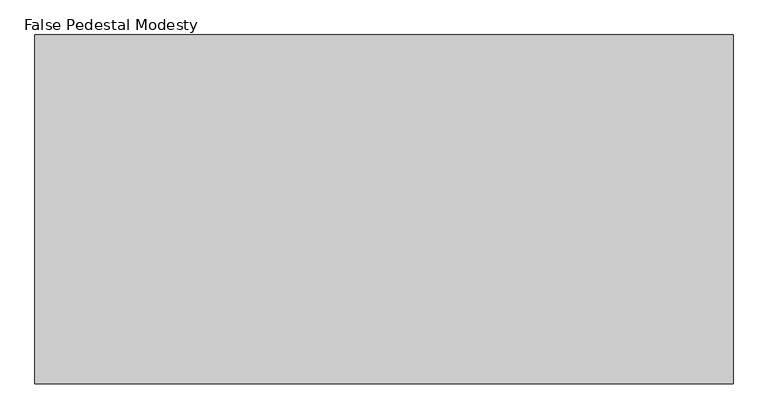
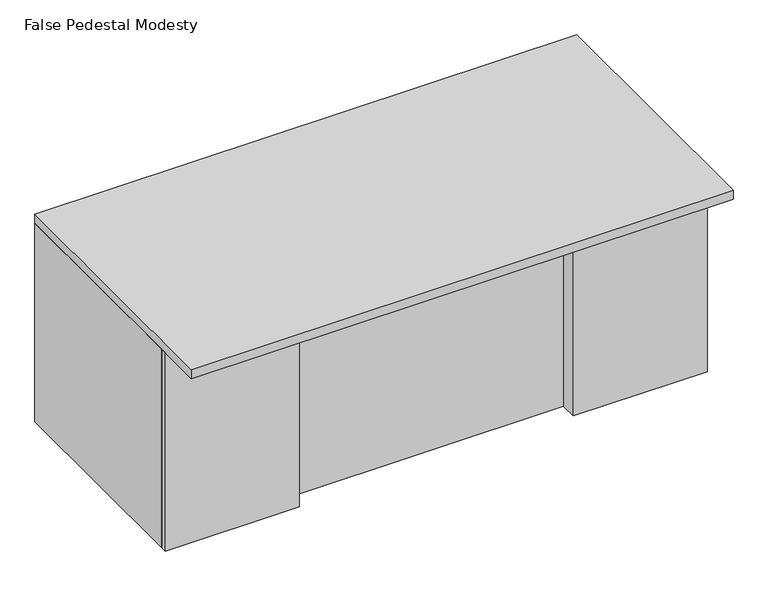
"""IFC4 building model written with IfcOpenShell, lengths in millimetres: furniture geometry, False Pedestal Modesty."""

from ifc_helpers import new_model, si_unit, frame, origin, origin_with_axes, place, context, project, spatial, polyline, outline, extrude, source, transform, mapped, element, save


def false_pedestal_modesty_8e1f2380(model_context):
    return source(origin(), model_context, "Body", "SweptSolid", [
        extrude(outline(polyline([(1146.175, 711.2), (1162.05, 711.2), (1162.05, 688.975), (1162.05, 569.9125), (1146.175, 569.9125), (1146.175, 547.6875), (1143.0, 547.6875), (1143.0, 711.2), (1146.175, 711.2)])), frame((1219.99375, 0.0, 0.0), z_axis=(1.0, 0.0, 0.0), x_axis=(0.0, 1.0, 0.0)), (0.0, 0.0, 1.0), 393.7),
        extrude(outline(polyline([(1146.175, 544.5125), (1162.05, 544.5125), (1162.05, 522.2875), (1162.05, 403.225), (1146.175, 403.225), (1146.175, 381.0), (1143.0, 381.0), (1143.0, 544.5125), (1146.175, 544.5125)])), frame((1219.99375, 0.0, 0.0), z_axis=(1.0, 0.0, 0.0), x_axis=(0.0, 1.0, 0.0)), (0.0, 0.0, 1.0), 393.7),
        extrude(outline(polyline([(1146.175, 377.825), (1146.175, 355.6), (1162.05, 355.6), (1162.05, 69.85), (1162.05, 47.625), (1146.175, 47.625), (1143.0, 47.625), (1143.0, 377.825), (1146.175, 377.825)])), frame((1219.99375, 0.0, 0.0), z_axis=(1.0, 0.0, 0.0), x_axis=(0.0, 1.0, 0.0)), (0.0, 0.0, 1.0), 393.7),
        extrude(outline(polyline([(1239.04375, 425.45), (1239.04375, 1143.0), (1594.64375, 1143.0), (1594.64375, 425.45), (1239.04375, 425.45)])), origin_with_axes(), (0.0, 0.0, 1.0), 19.05),
        extrude(outline(polyline([(1239.04375, 425.45), (1239.04375, 444.5), (1594.64375, 444.5), (1594.64375, 425.45), (1239.04375, 425.45)])), frame((0.0, 0.0, 492.125), z_axis=(0.0, 0.0, 1.0), x_axis=(1.0, 0.0, 0.0)), (0.0, 0.0, 1.0), 219.075),
        extrude(outline(polyline([(1239.04375, 527.05), (1239.04375, 1143.0), (1594.64375, 1143.0), (1594.64375, 527.05), (1239.04375, 527.05)])), frame((0.0, 0.0, 693.7375), z_axis=(0.0, 0.0, 1.0), x_axis=(1.0, 0.0, 0.0)), (0.0, 0.0, 1.0), 19.05),
        extrude(outline(polyline([(1613.69375, 425.45), (1594.64375, 425.45), (1594.64375, 1143.0), (1613.69375, 1143.0), (1613.69375, 425.45)])), origin_with_axes(), (0.0, 0.0, 1.0), 711.2),
        extrude(outline(polyline([(1613.69375, 1143.0), (1219.99375, 1143.0), (1219.99375, 1162.05), (1613.69375, 1162.05), (1613.69375, 1143.0)])), origin_with_axes(), (0.0, 0.0, 1.0), 44.45),
        extrude(outline(polyline([(1239.04375, 425.45), (1219.99375, 425.45), (1219.99375, 1143.0), (1239.04375, 1143.0), (1239.04375, 425.45)])), origin_with_axes(), (0.0, 0.0, 1.0), 711.2),
        extrude(outline(polyline([(275.43125, 406.4), (-176.2125, 406.4), (-176.2125, 425.45), (256.38125, 425.45), (256.38125, 482.6), (1219.99375, 482.6), (1219.99375, 425.45), (1652.5875, 425.45), (1652.5875, 406.4), (1200.94375, 406.4), (1200.94375, 463.55), (275.43125, 463.55), (275.43125, 406.4)])), origin_with_axes(), (0.0, 0.0, 1.0), 708.025),
        extrude(outline(polyline([(1652.5875, 425.45), (1613.69375, 425.45), (1613.69375, 1168.4), (1652.5875, 1168.4), (1652.5875, 425.45)])), origin_with_axes(), (0.0, 0.0, 1.0), 708.025),
        extrude(outline(polyline([(-137.31875, 425.45), (-176.2125, 425.45), (-176.2125, 1168.4), (-137.31875, 1168.4), (-137.31875, 425.45)])), origin_with_axes(), (0.0, 0.0, 1.0), 708.025),
        extrude(outline(polyline([(-176.2125, 254.0), (-176.2125, 1168.4), (1652.5875, 1168.4), (1652.5875, 254.0), (-176.2125, 254.0)])), frame((0.0, 0.0, 708.025), z_axis=(0.0, 0.0, 1.0), x_axis=(1.0, 0.0, 0.0)), (0.0, 0.0, 1.0), 31.75),
    ])


if __name__ == "__main__":
    model = new_model("IFC4")
    model_context = context("Model", 3, world=origin())
    ifc_project = project(units=[si_unit("LENGTHUNIT", "METRE", prefix="MILLI")], contexts=[model_context])
    site = spatial("IfcSite", under=ifc_project)
    building = spatial("IfcBuilding", under=site)
    placement = place(None, origin())
    false_pedestal_modesty_shape = false_pedestal_modesty_8e1f2380(model_context)
    element("IfcFurniture", 1, ObjectType="False Pedestal Modesty", at=placement, inside=building, context=model_context, shape_type="MappedRepresentation", body=[
        mapped(false_pedestal_modesty_shape, transform((0.0, 0.0, 0.0), x_axis=(1.0, 0.0, 0.0), y_axis=(0.0, 1.0, 0.0), z_axis=(0.0, 0.0, 1.0))),
    ])
    save(model, "model.ifc")
